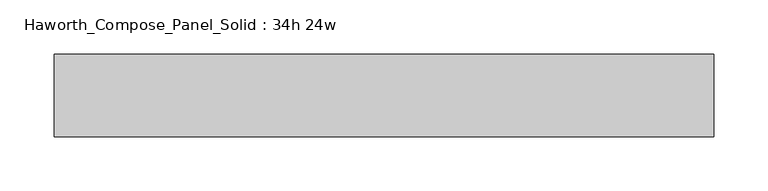
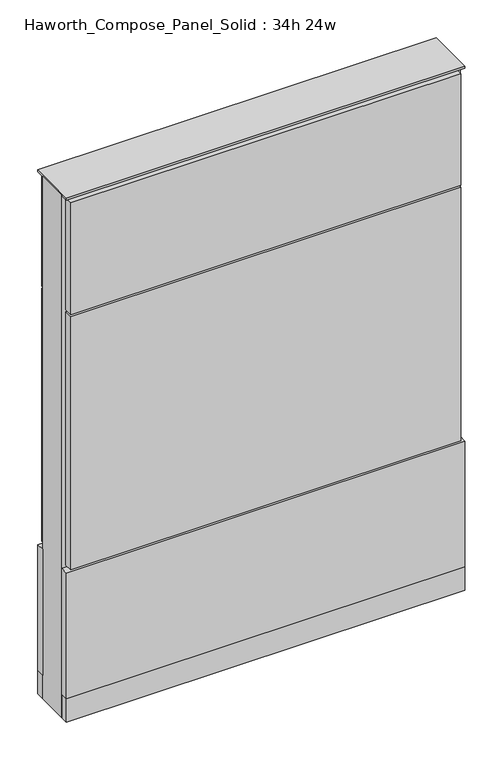
"""IFC4 building model written with IfcOpenShell, lengths in millimetres: furniture geometry, Haworth_Compose_Panel_Solid : 34h 24w."""

from ifc_helpers import new_model, si_unit, point, frame, frame_2d, origin, origin_with_axes, place, context, project, spatial, polyline, circle_curve, trimmed, segment, composite_curve, outline, extrude, source, transform, mapped, element, save


def haworth_compose_panel_solid_34h_24w_938204c1(model_context):
    return source(origin(), model_context, "Body", "SweptSolid", [
        extrude(outline(composite_curve([segment(trimmed(circle_curve(frame_2d((-226.1597098, 0.0)), 12.7), [point((-238.8597098, 0.0))], [point((-213.4597098, 0.0))], False, "CARTESIAN"), True, "CONTINUOUS"), segment(trimmed(circle_curve(frame_2d((-226.1597098, 0.0)), 12.7), [point((-213.4597098, 0.0))], [point((-238.8597098, 0.0))], False, "CARTESIAN"), True, "CONTINUOUS")], self_intersect=False)), origin_with_axes(), (0.0, 0.0, 1.0), 12.7),
        extrude(outline(composite_curve([segment(trimmed(circle_curve(frame_2d((231.0402902, 0.0)), 12.7), [point((218.3402902, 0.0))], [point((243.7402902, 0.0))], False, "CARTESIAN"), True, "CONTINUOUS"), segment(trimmed(circle_curve(frame_2d((231.0402902, 0.0)), 12.7), [point((243.7402902, 0.0))], [point((218.3402902, 0.0))], False, "CARTESIAN"), True, "CONTINUOUS")], self_intersect=False)), origin_with_axes(), (0.0, 0.0, 1.0), 12.7),
        extrude(outline(polyline([(300.8902902, -38.1), (-296.0097098, -38.1), (-296.0097098, -25.4), (300.8902902, -25.4), (300.8902902, -38.1)])), frame((0.0, 0.0, 669.925), z_axis=(0.0, 0.0, 1.0), x_axis=(1.0, 0.0, 0.0)), (0.0, 0.0, 1.0), 180.975),
        extrude(outline(polyline([(300.8902902, -38.1), (-296.0097098, -38.1), (-296.0097098, -25.4), (300.8902902, -25.4), (300.8902902, -38.1)])), frame((0.0, 0.0, 257.175), z_axis=(0.0, 0.0, 1.0), x_axis=(1.0, 0.0, 0.0)), (0.0, 0.0, 1.0), 409.575),
        extrude(outline(polyline([(307.2402902, -38.1), (-302.3597098, -38.1), (-302.3597098, -25.4), (307.2402902, -25.4), (307.2402902, -38.1)])), frame((0.0, 0.0, 50.8), z_axis=(0.0, 0.0, 1.0), x_axis=(1.0, 0.0, 0.0)), (0.0, 0.0, 1.0), 203.2),
        extrude(outline(polyline([(307.2402902, 38.1), (307.2402902, 25.4), (-302.3597098, 25.4), (-302.3597098, 38.1), (307.2402902, 38.1)])), frame((0.0, 0.0, 50.8), z_axis=(0.0, 0.0, 1.0), x_axis=(1.0, 0.0, 0.0)), (0.0, 0.0, 1.0), 203.2),
        extrude(outline(polyline([(300.8902902, 38.1), (300.8902902, 25.4), (-296.0097098, 25.4), (-296.0097098, 38.1), (300.8902902, 38.1)])), frame((0.0, 0.0, 669.925), z_axis=(0.0, 0.0, 1.0), x_axis=(1.0, 0.0, 0.0)), (0.0, 0.0, 1.0), 180.975),
        extrude(outline(polyline([(300.8902902, 38.1), (300.8902902, 25.4), (-296.0097098, 25.4), (-296.0097098, 38.1), (300.8902902, 38.1)])), frame((0.0, 0.0, 257.175), z_axis=(0.0, 0.0, 1.0), x_axis=(1.0, 0.0, 0.0)), (0.0, 0.0, 1.0), 409.575),
        extrude(outline(polyline([(307.2402902, -25.4), (-302.3597098, -25.4), (-302.3597098, 25.4), (307.2402902, 25.4), (307.2402902, -25.4)])), frame((0.0, 0.0, 12.7), z_axis=(0.0, 0.0, 1.0), x_axis=(1.0, 0.0, 0.0)), (0.0, 0.0, 1.0), 844.55),
        extrude(outline(polyline([(-302.3597098, 38.1), (307.2402902, 38.1), (307.2402902, -38.1), (-302.3597098, -38.1), (-302.3597098, 38.1)])), frame((0.0, 0.0, 12.7), z_axis=(0.0, 0.0, 1.0), x_axis=(1.0, 0.0, 0.0)), (0.0, 0.0, 1.0), 38.1),
        extrude(outline(polyline([(-302.3597098, 38.1), (307.2402902, 38.1), (307.2402902, -38.1), (-302.3597098, -38.1), (-302.3597098, 38.1)])), frame((0.0, 0.0, 857.25), z_axis=(0.0, 0.0, 1.0), x_axis=(1.0, 0.0, 0.0)), (0.0, 0.0, 1.0), 3.175),
    ])


if __name__ == "__main__":
    model = new_model("IFC4")
    model_context = context("Model", 3, world=origin())
    ifc_project = project(units=[si_unit("LENGTHUNIT", "METRE", prefix="MILLI")], contexts=[model_context])
    site = spatial("IfcSite", under=ifc_project)
    building = spatial("IfcBuilding", under=site)
    placement = place(None, origin())
    haworth_compose_panel_solid_34h_24w_shape = haworth_compose_panel_solid_34h_24w_938204c1(model_context)
    element("IfcFurniture", 1, ObjectType="Haworth_Compose_Panel_Solid : 34h 24w", at=placement, inside=building, context=model_context, shape_type="MappedRepresentation", body=[
        mapped(haworth_compose_panel_solid_34h_24w_shape, transform((0.0, 0.0, 0.0), x_axis=(1.0, 0.0, 0.0), y_axis=(0.0, 1.0, 0.0), z_axis=(0.0, 0.0, 1.0))),
    ])
    save(model, "model.ifc")
